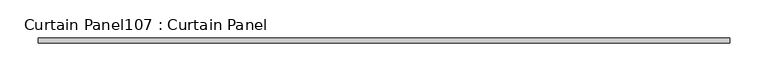
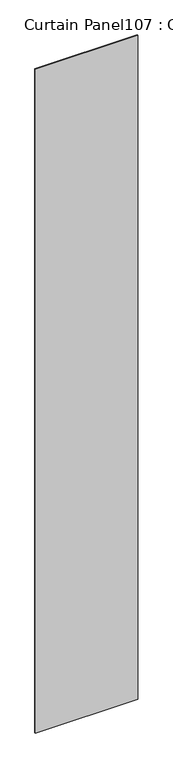
"""IFC4 building model written with IfcOpenShell, lengths in millimetres: plate geometry, Curtain Panel107 : Curtain Panel."""

from ifc_helpers import new_model, si_unit, frame, origin, place, context, project, spatial, polyline, outline, extrude, source, transform, mapped, element, save


def curtain_panel107_curtain_panel_473dc3c7(model_context):
    return source(origin(), model_context, "Body", "SweptSolid", [
        extrude(outline(polyline([(236755.0151593, 2363.6484836), (235851.3386393, 2363.6484836), (235851.3386393, 2369.9984836), (236755.0151593, 2369.9984836), (236755.0151593, 2363.6484836)])), frame((0.0, 0.0, 4914.2249337), z_axis=(0.0, 0.0, 1.0), x_axis=(1.0, 0.0, 0.0)), (0.0, 0.0, 1.0), 6186.1483186),
    ])


if __name__ == "__main__":
    model = new_model("IFC4")
    model_context = context("Model", 3, world=origin())
    ifc_project = project(units=[si_unit("LENGTHUNIT", "METRE", prefix="MILLI")], contexts=[model_context])
    site = spatial("IfcSite", under=ifc_project)
    building = spatial("IfcBuilding", under=site)
    placement = place(None, origin())
    curtain_panel107_curtain_panel_shape = curtain_panel107_curtain_panel_473dc3c7(model_context)
    element("IfcPlate", 1, ObjectType="Curtain Panel107 : Curtain Panel", at=placement, inside=building, context=model_context, shape_type="MappedRepresentation", body=[
        mapped(curtain_panel107_curtain_panel_shape, transform((0.0, 0.0, 0.0), x_axis=(1.0, 0.0, 0.0), y_axis=(0.0, 1.0, 0.0), z_axis=(0.0, 0.0, 1.0))),
    ])
    save(model, "model.ifc")
